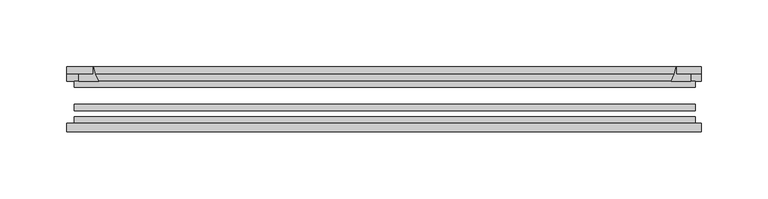
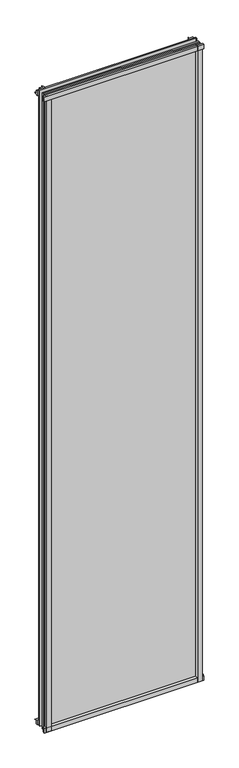
"""IFC4 building model written with IfcOpenShell, lengths in millimetres: plate geometry."""

from ifc_helpers import new_model, si_unit, point, frame, frame_2d, origin, place, context, project, spatial, polyline, circle_curve, trimmed, segment, composite_curve, outline, extrude, source, transform, mapped, element, save


def plate_9950382b(model_context):
    return source(origin(), model_context, "Body", "SweptSolid", [
        extrude(outline(composite_curve([segment(polyline([(-85.1328625, 1995.5063002), (-78.7828625, 1995.5063002), (-78.7828625, 1979.2561909)]), True, "CONTINUOUS"), segment(trimmed(circle_curve(frame_2d((-85.0581856, 1970.2064356)), 11.0126179), [point((-78.7828625, 1979.2561909))], [point((-85.1328625, 1981.2188002))], True, "CARTESIAN"), True, "CONTINUOUS"), segment(polyline([(-85.1328625, 1981.2188002), (-85.1328625, 1995.5063002)]), True, "CONTINUOUS")], self_intersect=False)), frame((-239.1171875, 0.0, 0.0), z_axis=(1.0, 0.0, 0.0), x_axis=(0.0, 1.0, 0.0)), (0.0, 0.0, 1.0), 477.04375),
        extrude(outline(composite_curve([segment(polyline([(-233.3625, -78.7828625), (-216.5012844, -78.7828625)]), True, "CONTINUOUS"), segment(trimmed(circle_curve(frame_2d((-205.9388809, -86.7604812)), 13.2365693), [point((-216.5012844, -78.7828625))], [point((-219.075, -85.1328625))], True, "CARTESIAN"), True, "CONTINUOUS"), segment(polyline([(-219.075, -85.1328625), (-233.3625, -85.1328625), (-233.3625, -78.7828625)]), True, "CONTINUOUS")], self_intersect=False)), frame((0.0, 0.0, -14.2875), z_axis=(0.0, 0.0, 1.0), x_axis=(1.0, 0.0, 0.0)), (0.0, 0.0, 1.0), 2009.775),
        extrude(outline(composite_curve([segment(polyline([(233.3625, -78.7828625), (233.3625, -85.1328625), (219.075, -85.1328625)]), True, "CONTINUOUS"), segment(trimmed(circle_curve(frame_2d((205.9388809, -86.7604812)), 13.2365693), [point((219.075, -85.1328625))], [point((216.5012844, -78.7828625))], True, "CARTESIAN"), True, "CONTINUOUS"), segment(polyline([(216.5012844, -78.7828625), (233.3625, -78.7828625)]), True, "CONTINUOUS")], self_intersect=False)), frame((0.0, 0.0, -14.2875), z_axis=(0.0, 0.0, 1.0), x_axis=(1.0, 0.0, 0.0)), (0.0, 0.0, 1.0), 2009.775),
        extrude(outline(composite_curve([segment(polyline([(-47.1852625, -10.4712201), (-47.1852625, 3.9588469)]), True, "CONTINUOUS"), segment(trimmed(circle_curve(frame_2d((-30.6824422, 32.267054)), 32.7673262), [point((-47.1852625, 3.9588469))], [point((-36.3503395, -0.00635))], True, "CARTESIAN"), True, "CONTINUOUS"), segment(polyline([(-36.3503395, -0.00635), (-42.2830625, -0.00635), (-42.2830625, -10.4712201), (-47.1852625, -10.4712201)]), True, "CONTINUOUS")], self_intersect=False)), frame((-239.1171875, 0.0, 0.0), z_axis=(1.0, 0.0, 0.0), x_axis=(0.0, 1.0, 0.0)), (0.0, 0.0, 1.0), 477.04375),
        extrude(outline(composite_curve([segment(polyline([(-78.7828625, -14.2875), (-85.1328625, -14.2875), (-85.1328625, -0.0127)]), True, "CONTINUOUS"), segment(trimmed(circle_curve(frame_2d((-86.7604812, 13.1234191)), 13.2365693), [point((-85.1328625, -0.0127))], [point((-78.7828625, 2.5610156))], True, "CARTESIAN"), True, "CONTINUOUS"), segment(polyline([(-78.7828625, 2.5610156), (-78.7828625, -14.2875)]), True, "CONTINUOUS")], self_intersect=False)), frame((-239.1171875, 0.0, 0.0), z_axis=(1.0, 0.0, 0.0), x_axis=(0.0, 1.0, 0.0)), (0.0, 0.0, 1.0), 477.04375),
        extrude(outline(composite_curve([segment(polyline([(-47.1852625, 1977.2284531), (-47.1852625, 1991.9002564), (-42.2830625, 1991.9002564), (-42.2830625, 1981.2), (-36.3140625, 1981.2)]), True, "CONTINUOUS"), segment(trimmed(circle_curve(frame_2d((-30.6824422, 1948.920246)), 32.7673262), [point((-36.3140625, 1981.2))], [point((-47.1852625, 1977.2284531))], True, "CARTESIAN"), True, "CONTINUOUS")], self_intersect=False)), frame((-239.1171875, 0.0, 0.0), z_axis=(1.0, 0.0, 0.0), x_axis=(0.0, 1.0, 0.0)), (0.0, 0.0, 1.0), 477.04375),
        extrude(outline(composite_curve([segment(trimmed(circle_curve(frame_2d((186.795246, -30.6824422)), 32.7673262), [point((215.1034531, -47.1852625))], [point((219.075, -36.3140625))], True, "CARTESIAN"), True, "CONTINUOUS"), segment(polyline([(219.075, -36.3140625), (219.075, -42.2830625), (229.7753653, -42.2830625), (229.7753653, -47.1852625), (215.1034531, -47.1852625)]), True, "CONTINUOUS")], self_intersect=False)), frame((0.0, 0.0, -14.2875), z_axis=(0.0, 0.0, 1.0), x_axis=(1.0, 0.0, 0.0)), (0.0, 0.0, 1.0), 2009.775),
        extrude(outline(composite_curve([segment(polyline([(-215.1034531, -47.1852625), (-229.7702092, -47.1852625), (-229.7702092, -42.2830625), (-219.075, -42.2830625), (-219.075, -36.3140625)]), True, "CONTINUOUS"), segment(trimmed(circle_curve(frame_2d((-186.795246, -30.6824422)), 32.7673262), [point((-219.075, -36.3140625))], [point((-215.1034531, -47.1852625))], True, "CARTESIAN"), True, "CONTINUOUS")], self_intersect=False)), frame((0.0, 0.0, -14.2875), z_axis=(0.0, 0.0, 1.0), x_axis=(1.0, 0.0, 0.0)), (0.0, 0.0, 1.0), 2009.775),
        extrude(outline(polyline([(233.3625, -64.6604625), (233.3625, -69.4356625), (-233.3625, -69.4356625), (-233.3625, -64.6604625), (233.3625, -64.6604625)])), frame((0.0, 0.0, -14.2875), z_axis=(0.0, 0.0, 1.0), x_axis=(1.0, 0.0, 0.0)), (0.0, 0.0, 1.0), 2009.775),
        extrude(outline(polyline([(-233.3625, -78.7828625), (-233.3625, -74.0076625), (233.3625, -74.0076625), (233.3625, -78.7828625), (-233.3625, -78.7828625)])), frame((0.0, 0.0, -14.2875), z_axis=(0.0, 0.0, 1.0), x_axis=(1.0, 0.0, 0.0)), (0.0, 0.0, 1.0), 2009.775),
        extrude(outline(polyline([(-233.3625, -47.1852625), (233.3625, -47.1852625), (233.3625, -51.9604625), (-233.3625, -51.9604625), (-233.3625, -47.1852625)])), frame((0.0, 0.0, -14.2875), z_axis=(0.0, 0.0, 1.0), x_axis=(1.0, 0.0, 0.0)), (0.0, 0.0, 1.0), 2009.775),
    ])


if __name__ == "__main__":
    model = new_model("IFC4")
    model_context = context("Model", 3, world=origin())
    ifc_project = project(units=[si_unit("LENGTHUNIT", "METRE", prefix="MILLI")], contexts=[model_context])
    site = spatial("IfcSite", under=ifc_project)
    building = spatial("IfcBuilding", under=site)
    placement = place(None, origin())
    plate_shape = plate_9950382b(model_context)
    element("IfcPlate", 1, at=placement, inside=building, context=model_context, shape_type="MappedRepresentation", body=[
        mapped(plate_shape, transform((0.0, 0.0, 0.0), x_axis=(1.0, 0.0, 0.0), y_axis=(0.0, 1.0, 0.0), z_axis=(0.0, 0.0, 1.0))),
    ])
    save(model, "model.ifc")
